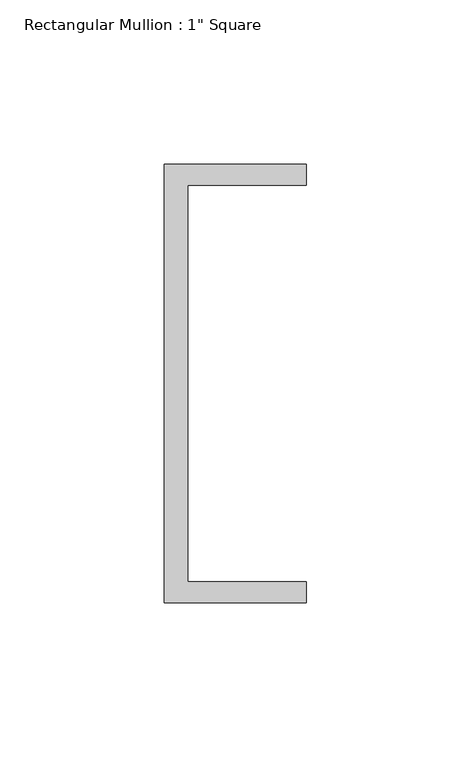
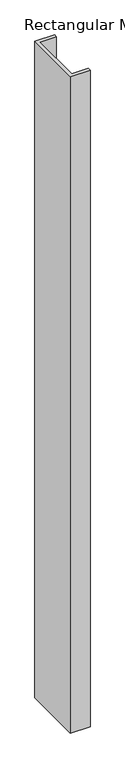
"""IFC4 building model written with IfcOpenShell, lengths in millimetres: member geometry."""

from ifc_helpers import new_model, si_unit, frame, origin, place, context, project, spatial, polyline, outline, extrude, source, transform, mapped, element, save


def member_7c7f44ef(model_context):
    return source(origin(), model_context, "Body", "SweptSolid", [
        extrude(outline(polyline([(-18.6549463, 135.2608739), (24.5675083, 135.2608739), (24.5675083, 128.9108739), (-11.6110886, 128.9108739), (-11.6110886, 8.2608739), (24.5675083, 8.2608739), (24.5675083, 1.9108739), (-18.6549463, 1.9108739), (-18.6549463, 135.2608739)])), frame((0.0, 0.0, -1512.5231867), z_axis=(0.0, 0.0, 1.0), x_axis=(1.0, 0.0, 0.0)), (0.0, 0.0, 1.0), 1512.5231867),
    ])


if __name__ == "__main__":
    model = new_model("IFC4")
    model_context = context("Model", 3, world=origin())
    ifc_project = project(units=[si_unit("LENGTHUNIT", "METRE", prefix="MILLI")], contexts=[model_context])
    site = spatial("IfcSite", under=ifc_project)
    building = spatial("IfcBuilding", under=site)
    placement = place(None, origin())
    member_shape = member_7c7f44ef(model_context)
    element("IfcMember", 1, ObjectType="Rectangular Mullion : 1\" Square", at=placement, inside=building, context=model_context, shape_type="MappedRepresentation", body=[
        mapped(member_shape, transform((0.0, 0.0, 0.0), x_axis=(1.0, 0.0, 0.0), y_axis=(0.0, 1.0, 0.0), z_axis=(0.0, 0.0, 1.0))),
    ])
    save(model, "model.ifc")
